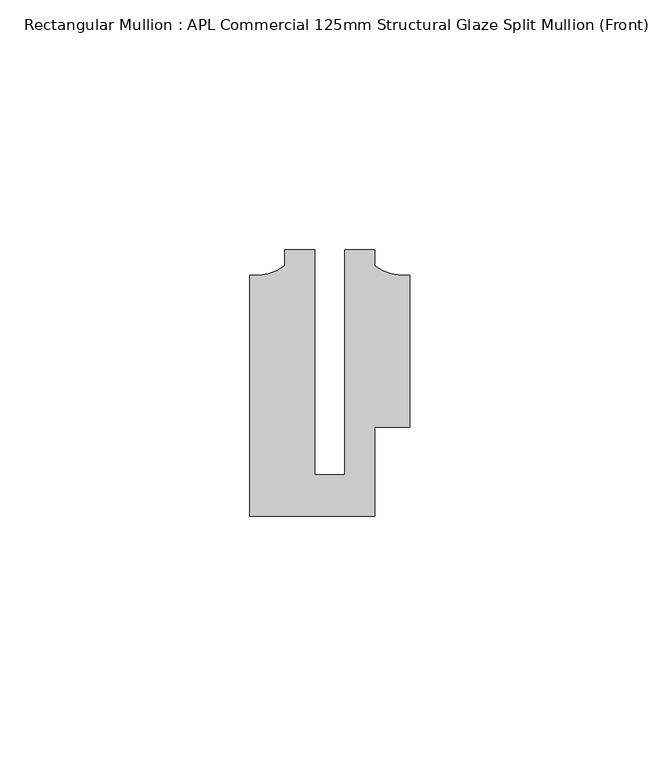
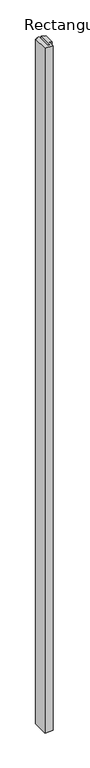
"""IFC4 building model written with IfcOpenShell, lengths in millimetres: member geometry, Rectangular Mullion : APL Commercial 125mm Structural Glaze Split Mullion (Front)."""

from ifc_helpers import new_model, si_unit, point, frame, frame_2d, origin, place, context, project, spatial, polyline, circle_curve, trimmed, segment, composite_curve, outline, extrude, source, transform, mapped, element, save


def rectangular_mullion_apl_commercial_125mm_structural_glaze_f0254eba(model_context):
    return source(origin(), model_context, "Body", "SweptSolid", [
        extrude(outline(composite_curve([segment(polyline([(15.9999391, -14.9953356), (9.0, -14.9953356), (9.0, -32.7960123), (-15.9999391, -32.7960123), (-15.9999391, 15.3837352)]), True, "CONTINUOUS"), segment(trimmed(circle_curve(frame_2d((-15.1098019, 25.802169)), 10.4563907), [point((-15.9999391, 15.3837352))], [point((-8.9999842, 17.3165203))], True, "CARTESIAN"), True, "CONTINUOUS"), segment(polyline([(-8.9999842, 17.3165203), (-8.9999842, 20.5039877), (-2.9999659, 20.5039877), (-2.9999659, -24.5130805), (2.9999676, -24.5130805), (2.9999676, 20.5039877), (8.9999842, 20.5039877), (8.9999842, 17.3165203)]), True, "CONTINUOUS"), segment(trimmed(circle_curve(frame_2d((15.1098019, 25.802169)), 10.4563907), [point((8.9999842, 17.3165203))], [point((15.9999391, 15.3837352))], True, "CARTESIAN"), True, "CONTINUOUS"), segment(polyline([(15.9999391, 15.3837352), (15.9999391, -14.9953356)]), True, "CONTINUOUS")], self_intersect=False)), frame((0.0, 0.0, -2200.0), z_axis=(0.0, 0.0, 1.0), x_axis=(1.0, 0.0, 0.0)), (0.0, 0.0, 1.0), 2200.0),
    ])


if __name__ == "__main__":
    model = new_model("IFC4")
    model_context = context("Model", 3, world=origin())
    ifc_project = project(units=[si_unit("LENGTHUNIT", "METRE", prefix="MILLI")], contexts=[model_context])
    site = spatial("IfcSite", under=ifc_project)
    building = spatial("IfcBuilding", under=site)
    placement = place(None, origin())
    rectangular_mullion_apl_commercial_125mm_structural_glaze_shape = rectangular_mullion_apl_commercial_125mm_structural_glaze_f0254eba(model_context)
    element("IfcMember", 1, ObjectType="Rectangular Mullion : APL Commercial 125mm Structural Glaze Split Mullion (Front)", at=placement, inside=building, context=model_context, shape_type="MappedRepresentation", body=[
        mapped(rectangular_mullion_apl_commercial_125mm_structural_glaze_shape, transform((0.0, 0.0, 0.0), x_axis=(1.0, 0.0, 0.0), y_axis=(0.0, 1.0, 0.0), z_axis=(0.0, 0.0, 1.0))),
    ])
    save(model, "model.ifc")
